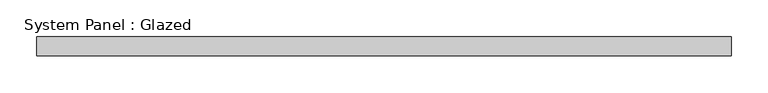
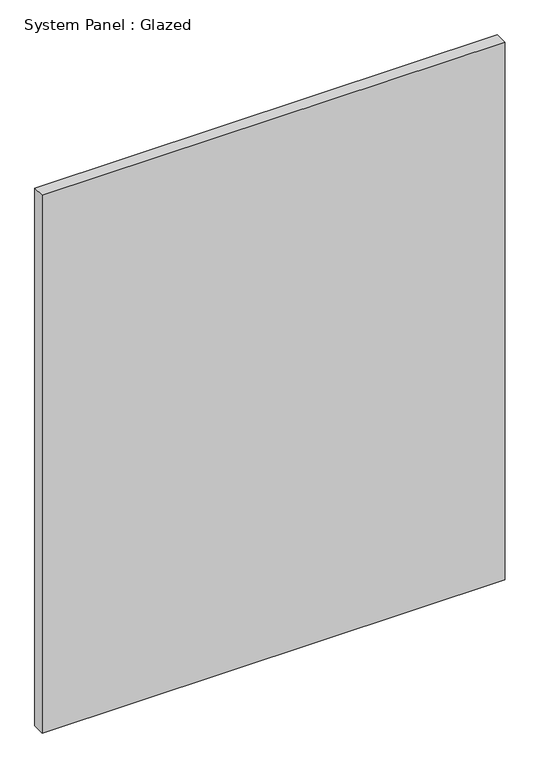
"""IFC4 building model written with IfcOpenShell, lengths in millimetres: plate geometry, System Panel : Glazed."""

from ifc_helpers import new_model, si_unit, origin, origin_with_axes, place, context, project, spatial, polyline, outline, extrude, source, transform, mapped, element, save


def system_panel_glazed_d3a21c02(model_context):
    return source(origin(), model_context, "Body", "SweptSolid", [
        extrude(outline(polyline([(470.67292, -44.45), (-470.67292, -44.45), (-470.67292, -19.05), (470.67292, -19.05), (470.67292, -44.45)])), origin_with_axes(), (0.0, 0.0, 1.0), 1155.7),
    ])


if __name__ == "__main__":
    model = new_model("IFC4")
    model_context = context("Model", 3, world=origin())
    ifc_project = project(units=[si_unit("LENGTHUNIT", "METRE", prefix="MILLI")], contexts=[model_context])
    site = spatial("IfcSite", under=ifc_project)
    building = spatial("IfcBuilding", under=site)
    placement = place(None, origin())
    system_panel_glazed_shape = system_panel_glazed_d3a21c02(model_context)
    element("IfcPlate", 1, ObjectType="System Panel : Glazed", at=placement, inside=building, context=model_context, shape_type="MappedRepresentation", body=[
        mapped(system_panel_glazed_shape, transform((0.0, 0.0, 0.0), x_axis=(1.0, 0.0, 0.0), y_axis=(0.0, 1.0, 0.0), z_axis=(0.0, 0.0, 1.0))),
    ])
    save(model, "model.ifc")
